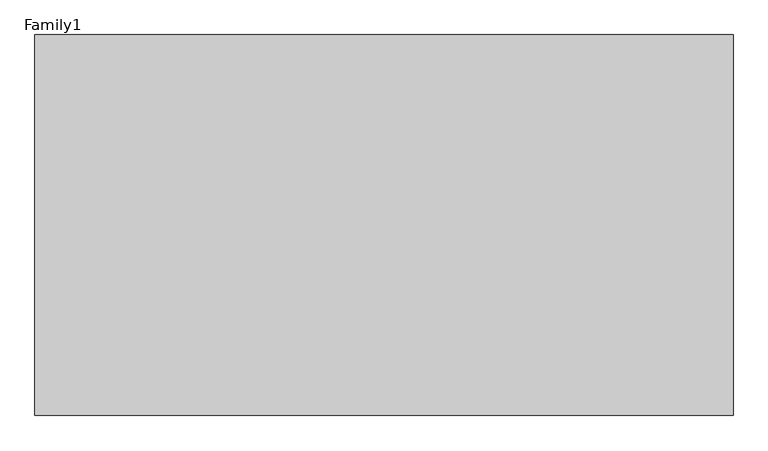
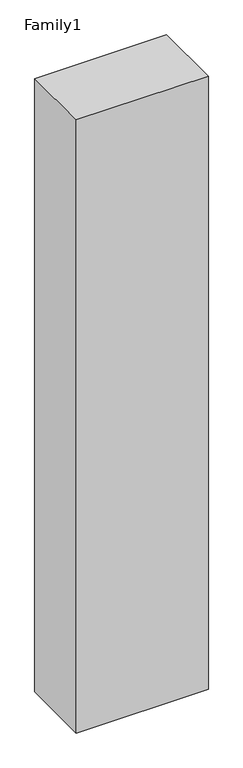
"""IFC4 building model written with IfcOpenShell, lengths in millimetres: proxy geometry, Family1."""

from ifc_helpers import new_model, si_unit, origin, origin_with_axes, place, context, project, spatial, polyline, outline, extrude, source, transform, mapped, element, save


def family1_00f34a61(model_context):
    return source(origin(), model_context, "Body", "SweptSolid", [
        extrude(outline(polyline([(5500.0, 0.0), (0.0, 0.0), (0.0, 3000.0), (5500.0, 3000.0), (5500.0, 0.0)])), origin_with_axes(), (0.0, 0.0, 1.0), 27000.0),
    ])


if __name__ == "__main__":
    model = new_model("IFC4")
    model_context = context("Model", 3, world=origin())
    ifc_project = project(units=[si_unit("LENGTHUNIT", "METRE", prefix="MILLI")], contexts=[model_context])
    site = spatial("IfcSite", under=ifc_project)
    building = spatial("IfcBuilding", under=site)
    placement = place(None, origin())
    family1_shape = family1_00f34a61(model_context)
    element("IfcBuildingElementProxy", 1, Name="Family1", ObjectType="Family1", at=placement, inside=building, context=model_context, shape_type="MappedRepresentation", body=[
        mapped(family1_shape, transform((0.0, 0.0, 0.0), x_axis=(1.0, 0.0, 0.0), y_axis=(0.0, 1.0, 0.0), z_axis=(0.0, 0.0, 1.0))),
    ])
    save(model, "model.ifc")
